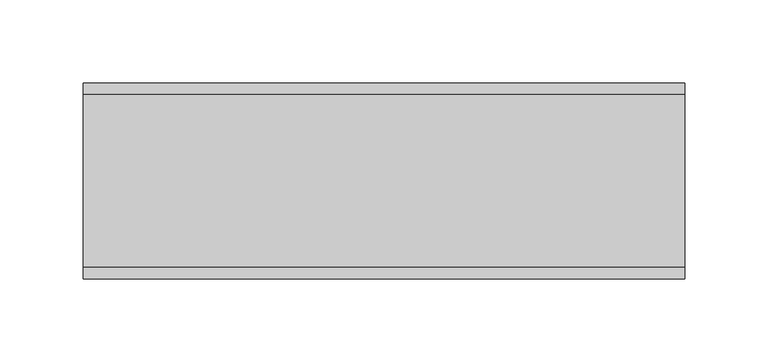
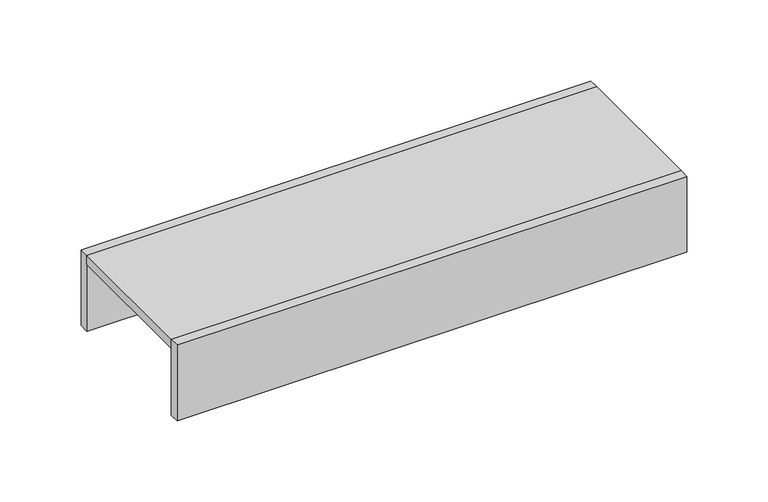
"""IFC4 building model written with IfcOpenShell, lengths in millimetres: proxy geometry."""

from ifc_helpers import new_model, si_unit, frame, origin, origin_with_axes, place, context, project, spatial, polyline, outline, extrude, source, transform, mapped, element, save


def generic_models_9ff35143(model_context):
    return source(origin(), model_context, "Body", "SweptSolid", [
        extrude(outline(polyline([(0.0, 0.0), (0.0, -7.0), (-362.0, -7.0), (-362.0, 0.0), (0.0, 0.0)])), frame((0.0, 0.0, -50.0), z_axis=(0.0, 0.0, 1.0), x_axis=(1.0, 0.0, 0.0)), (0.0, 0.0, 1.0), 57.0),
        extrude(outline(polyline([(0.0, 104.0), (0.0, 0.0), (-362.0, 0.0), (-362.0, 104.0), (0.0, 104.0)])), origin_with_axes(), (0.0, 0.0, 1.0), 7.0),
        extrude(outline(polyline([(0.0, 104.0), (-362.0, 104.0), (-362.0, 111.0), (0.0, 111.0), (0.0, 104.0)])), frame((0.0, 0.0, -50.0), z_axis=(0.0, 0.0, 1.0), x_axis=(1.0, 0.0, 0.0)), (0.0, 0.0, 1.0), 57.0),
    ])


if __name__ == "__main__":
    model = new_model("IFC4")
    model_context = context("Model", 3, world=origin())
    ifc_project = project(units=[si_unit("LENGTHUNIT", "METRE", prefix="MILLI")], contexts=[model_context])
    site = spatial("IfcSite", under=ifc_project)
    building = spatial("IfcBuilding", under=site)
    placement = place(None, origin())
    generic_models_shape = generic_models_9ff35143(model_context)
    element("IfcBuildingElementProxy", 1, Name="Generic Models", at=placement, inside=building, context=model_context, shape_type="MappedRepresentation", body=[
        mapped(generic_models_shape, transform((0.0, 0.0, 0.0), x_axis=(1.0, 0.0, 0.0), y_axis=(0.0, 1.0, 0.0), z_axis=(0.0, 0.0, 1.0))),
    ])
    save(model, "model.ifc")
